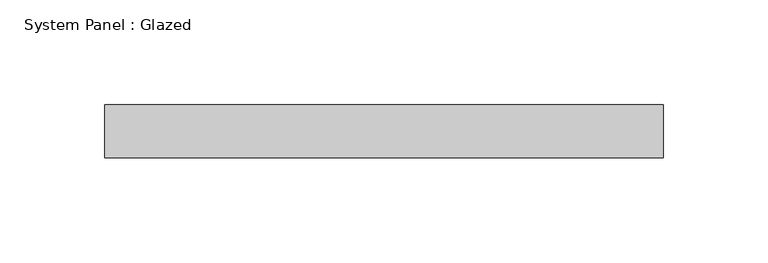
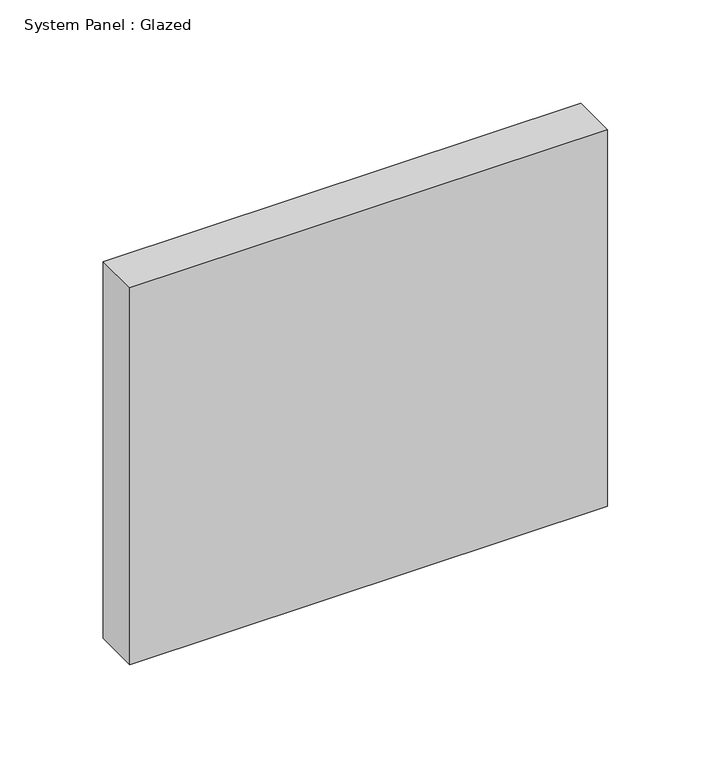
"""IFC4 building model written with IfcOpenShell, lengths in millimetres: plate geometry, System Panel : Glazed."""

from ifc_helpers import new_model, si_unit, origin, origin_with_axes, place, context, project, spatial, polyline, outline, extrude, source, transform, mapped, element, save


def system_panel_glazed_3a3cc751(model_context):
    return source(origin(), model_context, "Body", "SweptSolid", [
        extrude(outline(polyline([(133.35, -44.45), (-133.35, -44.45), (-133.35, -19.05), (133.35, -19.05), (133.35, -44.45)])), origin_with_axes(), (0.0, 0.0, 1.0), 222.25),
    ])


if __name__ == "__main__":
    model = new_model("IFC4")
    model_context = context("Model", 3, world=origin())
    ifc_project = project(units=[si_unit("LENGTHUNIT", "METRE", prefix="MILLI")], contexts=[model_context])
    site = spatial("IfcSite", under=ifc_project)
    building = spatial("IfcBuilding", under=site)
    placement = place(None, origin())
    system_panel_glazed_shape = system_panel_glazed_3a3cc751(model_context)
    element("IfcPlate", 1, ObjectType="System Panel : Glazed", at=placement, inside=building, context=model_context, shape_type="MappedRepresentation", body=[
        mapped(system_panel_glazed_shape, transform((0.0, 0.0, 0.0), x_axis=(1.0, 0.0, 0.0), y_axis=(0.0, 1.0, 0.0), z_axis=(0.0, 0.0, 1.0))),
    ])
    save(model, "model.ifc")
